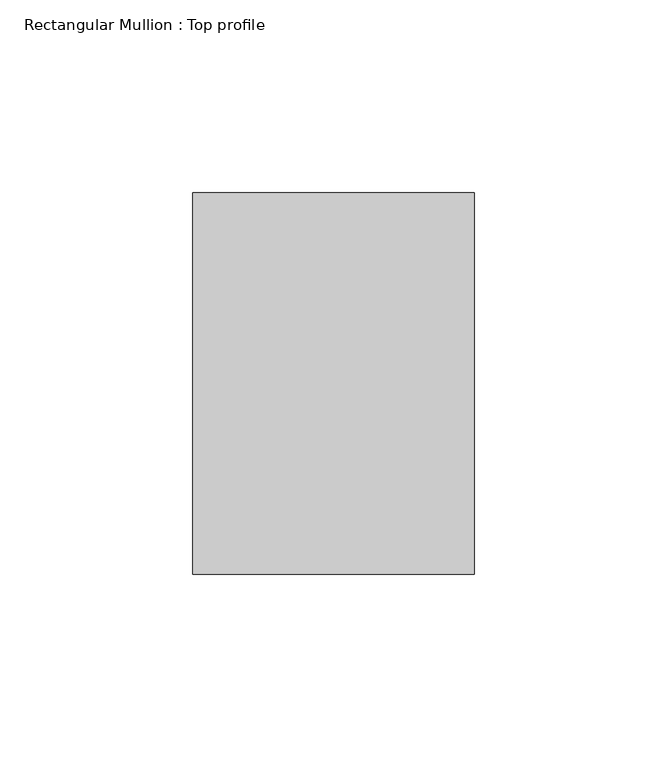
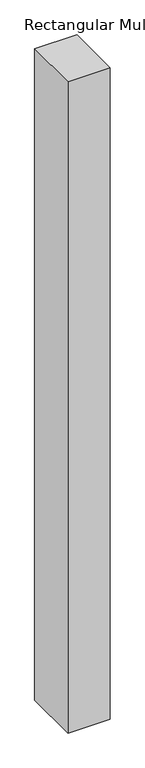
"""IFC4 building model written with IfcOpenShell, lengths in millimetres: member geometry, Rectangular Mullion : Top profile."""

from ifc_helpers import new_model, si_unit, frame, origin, place, context, project, spatial, polyline, outline, extrude, source, transform, mapped, element, save


def rectangular_mullion_top_profile_dca65a9b(model_context):
    return source(origin(), model_context, "Body", "SweptSolid", [
        extrude(outline(polyline([(-73.0, -49.5), (-73.0, 49.5), (0.0, 49.5), (0.0, -49.5), (-73.0, -49.5)])), frame((0.0, 0.0, -1187.5), z_axis=(0.0, 0.0, 1.0), x_axis=(1.0, 0.0, 0.0)), (0.0, 0.0, 1.0), 1187.5),
    ])


if __name__ == "__main__":
    model = new_model("IFC4")
    model_context = context("Model", 3, world=origin())
    ifc_project = project(units=[si_unit("LENGTHUNIT", "METRE", prefix="MILLI")], contexts=[model_context])
    site = spatial("IfcSite", under=ifc_project)
    building = spatial("IfcBuilding", under=site)
    placement = place(None, origin())
    rectangular_mullion_top_profile_shape = rectangular_mullion_top_profile_dca65a9b(model_context)
    element("IfcMember", 1, ObjectType="Rectangular Mullion : Top profile", at=placement, inside=building, context=model_context, shape_type="MappedRepresentation", body=[
        mapped(rectangular_mullion_top_profile_shape, transform((0.0, 0.0, 0.0), x_axis=(1.0, 0.0, 0.0), y_axis=(0.0, 1.0, 0.0), z_axis=(0.0, 0.0, 1.0))),
    ])
    save(model, "model.ifc")
